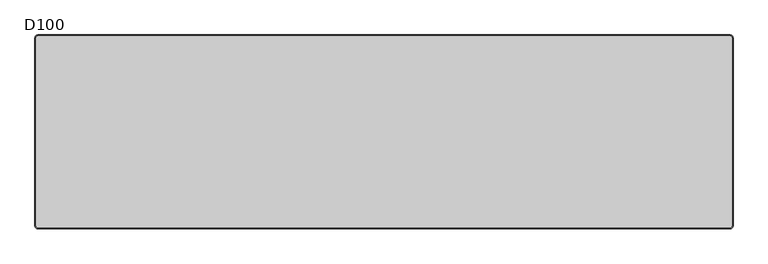
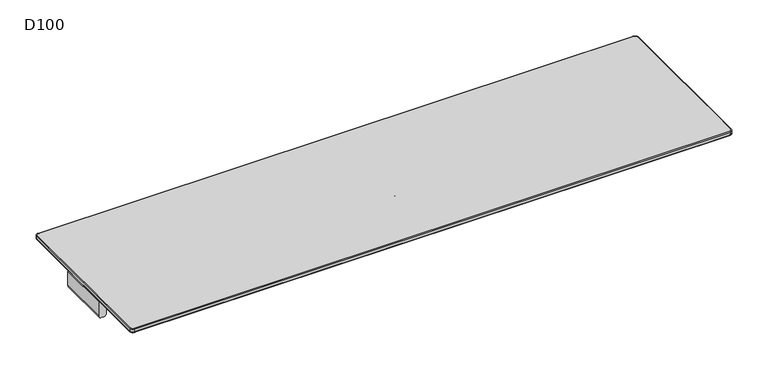
"""IFC4 building model written with IfcOpenShell, lengths in millimetres: furniture geometry, D100."""

from ifc_helpers import new_model, si_unit, point, frame, frame_2d, origin, place, context, project, spatial, polyline, circle_curve, ellipse_curve, trimmed, segment, composite_curve, outline, extrude, source, transform, mapped, element, save
from ifc_brep_helpers import plane_surface, cylinder_surface, revolved_surface, advanced_brep


def d100_9cf3e29e(model_context):
    return source(origin(), model_context, "Body", "SolidModel", [
        extrude(outline(composite_curve([segment(polyline([(791.0006338, 1799.0), (880.0006338, 1799.0), (880.0006338, 1754.0), (791.0006338, 1754.0)]), True, "CONTINUOUS"), segment(trimmed(circle_curve(frame_2d((791.0006338, 1769.0)), 15.0), [point((791.0006338, 1754.0))], [point((776.0006338, 1769.0))], False, "CARTESIAN"), True, "CONTINUOUS"), segment(polyline([(776.0006338, 1769.0), (776.0006338, 1784.0)]), True, "CONTINUOUS"), segment(trimmed(circle_curve(frame_2d((791.0006338, 1784.0)), 15.0), [point((776.0006338, 1784.0))], [point((791.0006338, 1799.0))], False, "CARTESIAN"), True, "CONTINUOUS")], self_intersect=False)), frame((0.0, -159.2234902, 0.0), z_axis=(0.0, 1.0, 0.0), x_axis=(0.0, 0.0, 1.0)), (0.0, 0.0, 1.0), 318.4469804),
        extrude(outline(composite_curve([segment(polyline([(791.0006338, 0.0), (880.0006338, 0.0), (880.0006338, -45.0), (791.0006338, -45.0)]), True, "CONTINUOUS"), segment(trimmed(circle_curve(frame_2d((791.0006338, -30.0)), 15.0), [point((791.0006338, -45.0))], [point((776.0006338, -30.0))], False, "CARTESIAN"), True, "CONTINUOUS"), segment(polyline([(776.0006338, -30.0), (776.0006338, -15.0)]), True, "CONTINUOUS"), segment(trimmed(circle_curve(frame_2d((791.0006338, -15.0)), 15.0), [point((776.0006338, -15.0))], [point((791.0006338, 0.0))], False, "CARTESIAN"), True, "CONTINUOUS")], self_intersect=False)), frame((0.0, -159.2234902, 0.0), z_axis=(0.0, 1.0, 0.0), x_axis=(0.0, 0.0, 1.0)), (0.0, 0.0, 1.0), 318.4469804),
        extrude(outline(composite_curve([segment(trimmed(circle_curve(frame_2d((791.0006338, 15.0)), 15.0), [point((791.0006338, 0.0))], [point((776.0006338, 15.0))], False, "CARTESIAN"), True, "CONTINUOUS"), segment(polyline([(776.0006338, 15.0), (776.0006338, 30.0)]), True, "CONTINUOUS"), segment(trimmed(circle_curve(frame_2d((791.0006338, 30.0)), 15.0), [point((776.0006338, 30.0))], [point((791.0006338, 45.0))], False, "CARTESIAN"), True, "CONTINUOUS"), segment(polyline([(791.0006338, 45.0), (880.0006338, 45.0), (880.0006338, 0.0), (791.0006338, 0.0)]), True, "CONTINUOUS")], self_intersect=False)), frame((0.0, -159.2234902, 0.0), z_axis=(0.0, 1.0, 0.0), x_axis=(0.0, 0.0, 1.0)), (0.0, 0.0, 1.0), 318.4469804),
        extrude(outline(composite_curve([segment(trimmed(circle_curve(frame_2d((791.0006338, -1784.0)), 15.0), [point((791.0006338, -1799.0))], [point((776.0006338, -1784.0))], False, "CARTESIAN"), True, "CONTINUOUS"), segment(polyline([(776.0006338, -1784.0), (776.0006338, -1769.0)]), True, "CONTINUOUS"), segment(trimmed(circle_curve(frame_2d((791.0006338, -1769.0)), 15.0), [point((776.0006338, -1769.0))], [point((791.0006338, -1754.0))], False, "CARTESIAN"), True, "CONTINUOUS"), segment(polyline([(791.0006338, -1754.0), (880.0006338, -1754.0), (880.0006338, -1799.0), (791.0006338, -1799.0)]), True, "CONTINUOUS")], self_intersect=False)), frame((0.0, -159.2234902, 0.0), z_axis=(0.0, 1.0, 0.0), x_axis=(0.0, 0.0, 1.0)), (0.0, 0.0, 1.0), 318.4469804),
        advanced_brep(
        [(-1782.0, 495.0, 912.0006338), (-1795.0, 482.0, 912.0006338), (-1795.0, -482.0, 912.0006338), (-1782.0, -495.0, 912.0006338), (1782.0, -495.0, 912.0006338), (1795.0, -482.0, 912.0006338), (1795.0, 482.0, 912.0006338), (1782.0, 495.0, 912.0006338), (-1795.0, 482.0, 886.0006338), (-1782.0, 495.0, 886.0006338), (1782.0, 495.0, 886.0006338), (1795.0, 482.0, 886.0006338), (1795.0, -482.0, 886.0006338), (1782.0, -495.0, 886.0006338), (-1782.0, -495.0, 886.0006338), (-1795.0, -482.0, 886.0006338), (-1800.0, 482.0, 907.0006384), (-1800.0, 482.0, 891.0006338), (-1800.0, -482.0, 891.0006338), (-1800.0, -482.0, 907.0006338), (-1782.0, -500.0, 891.0006338), (-1782.0, -500.0, 907.0006372), (1782.0, -500.0, 891.0006338), (1782.0, -500.0, 907.0006338), (1800.0, -482.0, 891.0006338), (1800.0, -482.0, 907.0006366), (1800.0, 482.0, 891.0006338), (1800.0, 482.0, 907.0006338), (-1782.0, 500.0, 891.0006338), (-1782.0, 500.0, 907.0006338), (1782.0, 500.0, 891.0006338), (1782.0, 500.0, 907.0006338)],
        [
            (0, 1, circle_curve(frame((-1782.0, 482.0, 912.0006338), z_axis=(0.0, 0.0, 1.0), x_axis=(0.0, 1.0, 0.0)), 13.0)),
            (1, 2),
            (2, 3, circle_curve(frame((-1782.0, -482.0, 912.0006338), z_axis=(0.0, 0.0, 1.0), x_axis=(-1.0, 0.0, 0.0)), 13.0)),
            (3, 4),
            (4, 5, circle_curve(frame((1782.0, -482.0, 912.0006338), z_axis=(0.0, 0.0, 1.0), x_axis=(0.0, -1.0, 0.0)), 13.0)),
            (5, 6),
            (6, 7, circle_curve(frame((1782.0, 482.0, 912.0006338), z_axis=(0.0, 0.0, 1.0), x_axis=(1.0, 0.0, 0.0)), 13.0)),
            (7, 0),
            (8, 9, circle_curve(frame((-1782.0, 482.0, 886.0006338), z_axis=(0.0, 0.0, -1.0), x_axis=(0.0, 1.0, 0.0)), 13.0)),
            (9, 10),
            (10, 11, circle_curve(frame((1782.0, 482.0, 886.0006338), z_axis=(0.0, 0.0, -1.0), x_axis=(1.0, 0.0, 0.0)), 13.0)),
            (11, 12),
            (12, 13, circle_curve(frame((1782.0, -482.0, 886.0006338), z_axis=(0.0, 0.0, -1.0), x_axis=(0.0, -1.0, 0.0)), 13.0)),
            (13, 14),
            (14, 15, circle_curve(frame((-1782.0, -482.0, 886.0006338), z_axis=(0.0, 0.0, -1.0), x_axis=(-1.0, 0.0, 0.0)), 13.0)),
            (15, 8),
            (16, 17),
            (17, 18),
            (18, 19),
            (19, 16),
            (18, 20, circle_curve(frame((-1782.0, -482.0, 891.0006338), z_axis=(0.0, 0.0, 1.0), x_axis=(1.0, 0.0, 0.0)), 18.0)),
            (20, 21),
            (21, 19, circle_curve(frame((-1782.0, -482.0, 907.0006338), z_axis=(0.0, 0.0, -1.0), x_axis=(1.0, 0.0, 0.0)), 18.0)),
            (20, 22),
            (22, 23),
            (23, 21),
            (22, 24, circle_curve(frame((1782.0, -482.0, 891.0006338), z_axis=(0.0, 0.0, 1.0), x_axis=(1.0, 0.0, 0.0)), 18.0)),
            (24, 25),
            (25, 23, circle_curve(frame((1782.0, -482.0, 907.0006338), z_axis=(0.0, 0.0, -1.0), x_axis=(1.0, 0.0, 0.0)), 18.0)),
            (24, 26),
            (26, 27),
            (27, 25),
            (8, 17, circle_curve(frame((-1795.0, 482.0, 891.0006338), z_axis=(0.0, 1.0, 0.0), x_axis=(1.0, 0.0, 0.0)), 5.0)),
            (17, 28, circle_curve(frame((-1782.0, 482.0, 891.0006338), z_axis=(0.0, 0.0, -1.0), x_axis=(0.0, 1.0, 0.0)), 18.0)),
            (28, 9, circle_curve(frame((-1782.0, 495.0, 891.0006338), z_axis=(-1.0, 0.0, 0.0), x_axis=(0.0, -1.0, 0.0)), 5.0)),
            (16, 1, circle_curve(frame((-1795.0, 482.0, 907.0006338), z_axis=(0.0, 1.0, 0.0), x_axis=(1.0, 0.0, 0.0)), 5.0)),
            (0, 29, circle_curve(frame((-1782.0, 495.0, 907.0006338), z_axis=(-1.0, 0.0, 0.0), x_axis=(0.0, -1.0, 0.0)), 5.0)),
            (29, 16, circle_curve(frame((-1782.0, 482.0, 907.0006338), z_axis=(0.0, 0.0, 1.0), x_axis=(0.0, 1.0, 0.0)), 18.0)),
            (15, 18, circle_curve(frame((-1795.0, -482.0, 891.0006338), z_axis=(0.0, 1.0, 0.0), x_axis=(1.0, 0.0, 0.0)), 5.0)),
            (19, 2, circle_curve(frame((-1795.0, -482.0, 907.0006338), z_axis=(0.0, 1.0, 0.0), x_axis=(1.0, 0.0, 0.0)), 5.0)),
            (14, 20, circle_curve(frame((-1782.0, -495.0, 891.0006338), z_axis=(-1.0, 0.0, 0.0), x_axis=(0.0, 1.0, 0.0)), 5.0)),
            (21, 3, circle_curve(frame((-1782.0, -495.0, 907.0006338), z_axis=(-1.0, 0.0, 0.0), x_axis=(0.0, 1.0, 0.0)), 5.0)),
            (13, 22, circle_curve(frame((1782.0, -495.0, 891.0006338), z_axis=(-1.0, 0.0, 0.0), x_axis=(0.0, 1.0, 0.0)), 5.0)),
            (23, 4, circle_curve(frame((1782.0, -495.0, 907.0006338), z_axis=(-1.0, 0.0, 0.0), x_axis=(0.0, 1.0, 0.0)), 5.0)),
            (12, 24, circle_curve(frame((1795.0, -482.0, 891.0006338), z_axis=(0.0, -1.0, 0.0), x_axis=(-1.0, 0.0, 0.0)), 5.0)),
            (25, 5, circle_curve(frame((1795.0, -482.0, 907.0006338), z_axis=(0.0, -1.0, 0.0), x_axis=(-1.0, 0.0, 0.0)), 5.0)),
            (11, 26, circle_curve(frame((1795.0, 482.0, 891.0006338), z_axis=(0.0, -1.0, 0.0), x_axis=(-1.0, 0.0, 0.0)), 5.0)),
            (27, 6, circle_curve(frame((1795.0, 482.0, 907.0006338), z_axis=(0.0, -1.0, 0.0), x_axis=(-1.0, 0.0, 0.0)), 5.0)),
            (10, 30, circle_curve(frame((1782.0, 495.0, 891.0006338), z_axis=(1.0, 0.0, 0.0), x_axis=(0.0, -1.0, 0.0)), 5.0)),
            (30, 26, circle_curve(frame((1782.0, 482.0, 891.0006338), z_axis=(0.0, 0.0, -1.0), x_axis=(1.0, 0.0, 0.0)), 18.0)),
            (27, 31, circle_curve(frame((1782.0, 482.0, 907.0006338), z_axis=(0.0, 0.0, 1.0), x_axis=(1.0, 0.0, 0.0)), 18.0)),
            (31, 7, circle_curve(frame((1782.0, 495.0, 907.0006338), z_axis=(1.0, 0.0, 0.0), x_axis=(0.0, -1.0, 0.0)), 5.0)),
            (28, 30),
            (31, 29),
            (30, 31),
            (28, 29),
        ],
        [
            plane_surface(frame((-1800.0, -482.0, 912.0006338), z_axis=(0.0, 0.0, 1.0), x_axis=(0.0, -1.0, 0.0))),
            plane_surface(frame((-1800.0, -482.0, 886.0006338), z_axis=(0.0, 0.0, -1.0), x_axis=(0.0, 1.0, 0.0))),
            plane_surface(frame((-1800.0, 482.0, 912.0006338), z_axis=(-1.0, 0.0, 0.0), x_axis=(0.0, 0.0, -1.0))),
            cylinder_surface(frame((-1782.0, -482.0, 886.0006338), z_axis=(0.0, 0.0, 1.0), x_axis=(1.0, 0.0, 0.0)), 18.0),
            plane_surface(frame((-1782.0, -500.0, 912.0006338), z_axis=(0.0, -1.0, 0.0), x_axis=(0.0, 0.0, -1.0))),
            cylinder_surface(frame((1782.0, -482.0, 886.0006338), z_axis=(0.0, 0.0, 1.0), x_axis=(1.0, 0.0, 0.0)), 18.0),
            plane_surface(frame((1800.0, -482.0, 912.0006338), z_axis=(1.0, 0.0, 0.0), x_axis=(0.0, 0.0, -1.0))),
            revolved_surface(trimmed(ellipse_curve(frame((-1782.0, 495.0, 891.0006338), z_axis=(1.0, 0.0, 0.0), x_axis=(0.0, -1.0, 0.0)), 5.0, 5.0), [point((-1782.0, 495.0, 886.0006338))], [point((-1782.0, 500.0, 891.0006338))], True, "CARTESIAN"), (-1782.0, 482.0, 0.0006338), (0.0, 0.0, 1.0)),
            revolved_surface(trimmed(ellipse_curve(frame((-1782.0, 495.0, 907.0006338), z_axis=(1.0, 0.0, 0.0), x_axis=(0.0, -1.0, 0.0)), 5.0, 5.0), [point((-1782.0, 500.0, 907.0006338))], [point((-1782.0, 495.0, 912.0006338))], True, "CARTESIAN"), (-1782.0, 482.0, 0.0006338), (0.0, 0.0, 1.0)),
            cylinder_surface(frame((-1795.0, 482.0, 891.0006338), z_axis=(0.0, -1.0, 0.0), x_axis=(1.0, 0.0, 0.0)), 5.0),
            cylinder_surface(frame((-1795.0, 482.0, 907.0006338), z_axis=(0.0, -1.0, 0.0), x_axis=(1.0, 0.0, 0.0)), 5.0),
            revolved_surface(trimmed(ellipse_curve(frame((-1795.0, -482.0, 891.0006338), z_axis=(0.0, 1.0, 0.0), x_axis=(1.0, 0.0, 0.0)), 5.0, 5.0), [point((-1795.0, -482.0, 886.0006338))], [point((-1800.0, -482.0, 891.0006338))], True, "CARTESIAN"), (-1782.0, -482.0, 0.0006338), (0.0, 0.0, 1.0)),
            revolved_surface(trimmed(ellipse_curve(frame((-1795.0, -482.0, 907.0006338), z_axis=(0.0, 1.0, 0.0), x_axis=(1.0, 0.0, 0.0)), 5.0, 5.0), [point((-1800.0, -482.0, 907.0006338))], [point((-1795.0, -482.0, 912.0006338))], True, "CARTESIAN"), (-1782.0, -482.0, 0.0006338), (0.0, 0.0, 1.0)),
            cylinder_surface(frame((-1782.0, -495.0, 891.0006338), z_axis=(1.0, 0.0, 0.0), x_axis=(0.0, 1.0, 0.0)), 5.0),
            cylinder_surface(frame((-1782.0, -495.0, 907.0006338), z_axis=(1.0, 0.0, 0.0), x_axis=(0.0, 1.0, 0.0)), 5.0),
            revolved_surface(trimmed(ellipse_curve(frame((1782.0, -495.0, 891.0006338), z_axis=(-1.0, 0.0, 0.0), x_axis=(0.0, 1.0, 0.0)), 5.0, 5.0), [point((1782.0, -495.0, 886.0006338))], [point((1782.0, -500.0, 891.0006338))], True, "CARTESIAN"), (1782.0, -482.0, 0.0006338), (0.0, 0.0, 1.0)),
            revolved_surface(trimmed(ellipse_curve(frame((1782.0, -495.0, 907.0006338), z_axis=(-1.0, 0.0, 0.0), x_axis=(0.0, 1.0, 0.0)), 5.0, 5.0), [point((1782.0, -500.0, 907.0006338))], [point((1782.0, -495.0, 912.0006338))], True, "CARTESIAN"), (1782.0, -482.0, 0.0006338), (0.0, 0.0, 1.0)),
            cylinder_surface(frame((1795.0, -482.0, 891.0006338), z_axis=(0.0, 1.0, 0.0), x_axis=(-1.0, 0.0, 0.0)), 5.0),
            cylinder_surface(frame((1795.0, -482.0, 907.0006338), z_axis=(0.0, 1.0, 0.0), x_axis=(-1.0, 0.0, 0.0)), 5.0),
            revolved_surface(trimmed(ellipse_curve(frame((1795.0, 482.0, 891.0006338), z_axis=(0.0, -1.0, 0.0), x_axis=(-1.0, 0.0, 0.0)), 5.0, 5.0), [point((1795.0, 482.0, 886.0006338))], [point((1800.0, 482.0, 891.0006338))], True, "CARTESIAN"), (1782.0, 482.0, 0.0006338), (0.0, 0.0, 1.0)),
            revolved_surface(trimmed(ellipse_curve(frame((1795.0, 482.0, 907.0006338), z_axis=(0.0, -1.0, 0.0), x_axis=(-1.0, 0.0, 0.0)), 5.0, 5.0), [point((1800.0, 482.0, 907.0006338))], [point((1795.0, 482.0, 912.0006338))], True, "CARTESIAN"), (1782.0, 482.0, 0.0006338), (0.0, 0.0, 1.0)),
            cylinder_surface(frame((1782.0, 495.0, 891.0006338), z_axis=(-1.0, 0.0, 0.0), x_axis=(0.0, -1.0, 0.0)), 5.0),
            cylinder_surface(frame((1782.0, 495.0, 907.0006338), z_axis=(-1.0, 0.0, 0.0), x_axis=(0.0, -1.0, 0.0)), 5.0),
            cylinder_surface(frame((1782.0, 482.0, 886.0006338), z_axis=(0.0, 0.0, 1.0), x_axis=(1.0, 0.0, 0.0)), 18.0),
            plane_surface(frame((1782.0, 500.0, 912.0006338), z_axis=(0.0, 1.0, 0.0), x_axis=(0.0, 0.0, -1.0))),
            cylinder_surface(frame((-1782.0, 482.0, 886.0006338), z_axis=(0.0, 0.0, 1.0), x_axis=(1.0, 0.0, 0.0)), 18.0),
        ],
        [
            (0, [[1, 2, 3, 4, 5, 6, 7, 8]]),
            (1, [[9, 10, 11, 12, 13, 14, 15, 16]]),
            (2, [[17, 18, 19, 20]]),
            (3, [[-19, 21, 22, 23]]),
            (4, [[-22, 24, 25, 26]]),
            (5, [[-25, 27, 28, 29]]),
            (6, [[-28, 30, 31, 32]]),
            (7, [[33, 34, 35, -9]]),
            (8, [[36, -1, 37, 38]]),
            (9, [[-33, -16, 39, -18]]),
            (10, [[-36, -20, 40, -2]]),
            (11, [[-39, -15, 41, -21]]),
            (12, [[-40, -23, 42, -3]]),
            (13, [[-41, -14, 43, -24]]),
            (14, [[-42, -26, 44, -4]]),
            (15, [[-43, -13, 45, -27]]),
            (16, [[-44, -29, 46, -5]]),
            (17, [[-45, -12, 47, -30]]),
            (18, [[-46, -32, 48, -6]]),
            (19, [[-47, -11, 49, 50]]),
            (20, [[-48, 51, 52, -7]]),
            (21, [[-35, 53, -49, -10]]),
            (22, [[-37, -8, -52, 54]]),
            (23, [[-31, -50, 55, -51]]),
            (24, [[-55, -53, 56, -54]]),
            (25, [[-17, -38, -56, -34]]),
        ],
    ),
        advanced_brep(
        [(1729.2740174, -165.2234902, 821.5334099), (1754.0036896, -165.2234902, 791.3333097), (1769.0, -165.2234902, 776.0006338), (1784.0, -165.2234902, 776.0006338), (1799.0, -165.2234902, 791.0006338), (1799.0, -165.2234902, 880.0006338), (1539.0, -165.2234902, 880.0006338), (1539.0, -165.2234902, 872.1904661), (1555.4913675, -165.2234902, 852.5006338), (1729.2740174, -159.2234902, 821.5334099), (1555.4913675, -159.2234902, 852.5006338), (1539.0, -159.2234902, 872.1904661), (1539.0, -159.2234902, 880.0006338), (1799.0, -159.2234902, 880.0006338), (1799.0, -159.2234902, 791.0006338), (1784.0, -159.2234902, 776.0006338), (1769.0, -159.2234902, 776.0006338), (1754.0036896, -159.2234902, 791.3333097), (1799.0, -113.2234902, 880.0006338), (1799.0, -113.2234902, 886.0006338), (1799.0, -211.2234902, 886.0006338), (1799.0, -211.2234902, 880.0006338), (1783.0, -97.2234902, 886.0006338), (1555.0, -97.2234902, 886.0006338), (1539.0, -113.2234902, 886.0006338), (1539.0, -211.2234902, 886.0006338), (1555.0, -227.2234902, 886.0006338), (1783.0, -227.2234902, 886.0006338), (1539.0, -113.2234902, 880.0006338), (1539.0, -211.2234902, 880.0006338), (1783.0, -97.2234902, 880.0006338), (1555.0, -97.2234902, 880.0006338), (1783.0, -227.2234902, 880.0006338), (1555.0, -227.2234902, 880.0006338)],
        [
            (0, 1, circle_curve(frame((1724.0110687, -165.2234902, 791.9986614), z_axis=(0.0, 1.0, 0.0), x_axis=(1.0, 0.0, 0.0)), 30.0)),
            (1, 2, circle_curve(frame((1769.0, -165.2234902, 791.0006338), z_axis=(0.0, -1.0, 0.0), x_axis=(1.0, 0.0, 0.0)), 15.0)),
            (2, 3),
            (3, 4, circle_curve(frame((1784.0, -165.2234902, 791.0006338), z_axis=(0.0, -1.0, 0.0), x_axis=(1.0, 0.0, 0.0)), 15.0)),
            (4, 5),
            (5, 6),
            (6, 7),
            (7, 8, circle_curve(frame((1559.0, -165.2234902, 872.1904661), z_axis=(0.0, -1.0, 0.0), x_axis=(1.0, 0.0, 0.0)), 20.0)),
            (8, 0),
            (9, 10),
            (10, 11, circle_curve(frame((1559.0, -159.2234902, 872.1904661), z_axis=(0.0, 1.0, 0.0), x_axis=(1.0, 0.0, 0.0)), 20.0)),
            (11, 12),
            (12, 13),
            (13, 14),
            (14, 15, circle_curve(frame((1784.0, -159.2234902, 791.0006338), z_axis=(0.0, 1.0, 0.0), x_axis=(1.0, 0.0, 0.0)), 15.0)),
            (15, 16),
            (16, 17, circle_curve(frame((1769.0, -159.2234902, 791.0006338), z_axis=(0.0, 1.0, 0.0), x_axis=(1.0, 0.0, 0.0)), 15.0)),
            (17, 9, circle_curve(frame((1724.0110687, -159.2234902, 791.9986614), z_axis=(0.0, -1.0, 0.0), x_axis=(1.0, 0.0, 0.0)), 30.0)),
            (0, 9),
            (17, 1),
            (4, 14),
            (13, 18),
            (18, 19),
            (19, 20),
            (20, 21),
            (21, 5),
            (19, 22, circle_curve(frame((1783.0, -113.2234902, 886.0006338), z_axis=(0.0, 0.0, 1.0), x_axis=(-1.0, 0.0, 0.0)), 16.0)),
            (22, 23),
            (23, 24, circle_curve(frame((1555.0, -113.2234902, 886.0006338), z_axis=(0.0, 0.0, 1.0), x_axis=(-1.0, 0.0, 0.0)), 16.0)),
            (24, 25),
            (25, 26, circle_curve(frame((1555.0, -211.2234902, 886.0006338), z_axis=(0.0, 0.0, 1.0), x_axis=(-1.0, 0.0, 0.0)), 16.0)),
            (26, 27),
            (27, 20, circle_curve(frame((1783.0, -211.2234902, 886.0006338), z_axis=(0.0, 0.0, 1.0), x_axis=(-1.0, 0.0, 0.0)), 16.0)),
            (24, 28),
            (28, 12),
            (11, 7),
            (6, 29),
            (29, 25),
            (10, 8),
            (16, 2),
            (15, 3),
            (30, 18, circle_curve(frame((1783.0, -113.2234902, 880.0006338), z_axis=(0.0, 0.0, -1.0), x_axis=(-1.0, 0.0, 0.0)), 16.0)),
            (28, 31, circle_curve(frame((1555.0, -113.2234902, 880.0006338), z_axis=(0.0, 0.0, -1.0), x_axis=(-1.0, 0.0, 0.0)), 16.0)),
            (31, 30),
            (21, 32, circle_curve(frame((1783.0, -211.2234902, 880.0006338), z_axis=(0.0, 0.0, -1.0), x_axis=(-1.0, 0.0, 0.0)), 16.0)),
            (32, 33),
            (33, 29, circle_curve(frame((1555.0, -211.2234902, 880.0006338), z_axis=(0.0, 0.0, -1.0), x_axis=(-1.0, 0.0, 0.0)), 16.0)),
            (30, 22),
            (27, 32),
            (26, 33),
            (23, 31),
        ],
        [
            plane_surface(frame((1754.0110687, -165.2234902, 791.9986614), z_axis=(0.0, -1.0, 0.0), x_axis=(0.0, 0.0, -1.0))),
            plane_surface(frame((1754.0110687, -159.2234902, 791.9986614), z_axis=(0.0, 1.0, 0.0), x_axis=(0.0, 0.0, 1.0))),
            revolved_surface(polyline([(1754.0110687, -159.2234902, 791.9986614), (1754.0110687, -165.2234902, 791.9986614)]), (1724.0110687, -159.2234902, 791.9986614), (0.0, 1.0, 0.0)),
            plane_surface(frame((1799.0, -165.2234902, 791.0006338), z_axis=(1.0, 0.0, 0.0), x_axis=(0.0, 1.0, 0.0))),
            plane_surface(frame((1799.0, -165.2234902, 886.0006338), z_axis=(0.0, 0.0, 1.0), x_axis=(0.0, 1.0, 0.0))),
            plane_surface(frame((1539.0, -165.2234902, 886.0006338), z_axis=(-1.0, 0.0, 0.0), x_axis=(0.0, 1.0, 0.0))),
            cylinder_surface(frame((1559.0, -159.2234902, 872.1904661), z_axis=(0.0, -1.0, 0.0), x_axis=(1.0, 0.0, 0.0)), 20.0),
            plane_surface(frame((1555.4913675, -165.2234902, 852.5006338), z_axis=(-0.17543162299465093, 0.0, -0.9844916178685641), x_axis=(0.0, 1.0, 0.0))),
            cylinder_surface(frame((1769.0, -159.2234902, 791.0006338), z_axis=(0.0, -1.0, 0.0), x_axis=(1.0, 0.0, 0.0)), 15.0),
            plane_surface(frame((1769.0, -165.2234902, 776.0006338), z_axis=(0.0, 0.0, -1.0), x_axis=(0.0, 1.0, 0.0))),
            cylinder_surface(frame((1784.0, -159.2234902, 791.0006338), z_axis=(0.0, -1.0, 0.0), x_axis=(1.0, 0.0, 0.0)), 15.0),
            plane_surface(frame((1555.0, -97.2234902, 880.0006338), z_axis=(0.0, 0.0, -1.0), x_axis=(1.0, 0.0, 0.0))),
            cylinder_surface(frame((1783.0, -113.2234902, 880.0006338), z_axis=(0.0, 0.0, 1.0), x_axis=(-1.0, 0.0, 0.0)), 16.0),
            cylinder_surface(frame((1783.0, -211.2234902, 880.0006338), z_axis=(0.0, 0.0, 1.0), x_axis=(-1.0, 0.0, 0.0)), 16.0),
            plane_surface(frame((1555.0, -227.2234902, 886.0006338), z_axis=(0.0, -1.0, 0.0), x_axis=(0.0, 0.0, -1.0))),
            cylinder_surface(frame((1555.0, -211.2234902, 880.0006338), z_axis=(0.0, 0.0, 1.0), x_axis=(-1.0, 0.0, 0.0)), 16.0),
            cylinder_surface(frame((1555.0, -113.2234902, 880.0006338), z_axis=(0.0, 0.0, 1.0), x_axis=(-1.0, 0.0, 0.0)), 16.0),
            plane_surface(frame((1783.0, -97.2234902, 886.0006338), z_axis=(0.0, 1.0, 0.0), x_axis=(0.0, 0.0, -1.0))),
        ],
        [
            (0, [[1, 2, 3, 4, 5, 6, 7, 8, 9]]),
            (1, [[10, 11, 12, 13, 14, 15, 16, 17, 18]]),
            (2, [[-1, 19, -18, 20]]),
            (3, [[21, -14, 22, 23, 24, 25, 26, -5]]),
            (4, [[-24, 27, 28, 29, 30, 31, 32, 33]]),
            (5, [[-30, 34, 35, -12, 36, -7, 37, 38]]),
            (6, [[-8, -36, -11, 39]]),
            (7, [[-9, -39, -10, -19]]),
            (8, [[-2, -20, -17, 40]]),
            (9, [[-3, -40, -16, 41]]),
            (10, [[-4, -41, -15, -21]]),
            (11, [[42, -22, -13, -35, 43, 44]]),
            (11, [[45, 46, 47, -37, -6, -26]]),
            (12, [[-27, -23, -42, 48]]),
            (13, [[-33, 49, -45, -25]]),
            (14, [[-32, 50, -46, -49]]),
            (15, [[-31, -38, -47, -50]]),
            (16, [[-29, 51, -43, -34]]),
            (17, [[-28, -48, -44, -51]]),
        ],
    ),
        advanced_brep(
        [(1729.2740174, 165.2234902, 821.5334099), (1555.4913675, 165.2234902, 852.5006338), (1539.0, 165.2234902, 872.1904661), (1539.0, 165.2234902, 880.0006338), (1799.0, 165.2234902, 880.0006338), (1799.0, 165.2234902, 791.0006338), (1784.0, 165.2234902, 776.0006338), (1769.0, 165.2234902, 776.0006338), (1754.0036896, 165.2234902, 791.3333097), (1729.2740174, 159.2234902, 821.5334099), (1754.0036896, 159.2234902, 791.3333097), (1769.0, 159.2234902, 776.0006338), (1784.0, 159.2234902, 776.0006338), (1799.0, 159.2234902, 791.0006338), (1799.0, 159.2234902, 880.0006338), (1539.0, 159.2234902, 880.0006338), (1539.0, 159.2234902, 872.1904661), (1555.4913675, 159.2234902, 852.5006338), (1799.0, 113.2234902, 886.0006338), (1799.0, 113.2234902, 880.0006338), (1799.0, 211.2234902, 880.0006338), (1799.0, 211.2234902, 886.0006338), (1783.0, 227.2234902, 886.0006338), (1555.0, 227.2234902, 886.0006338), (1539.0, 211.2234902, 886.0006338), (1539.0, 113.2234902, 886.0006338), (1555.0, 97.2234902, 886.0006338), (1783.0, 97.2234902, 886.0006338), (1539.0, 211.2234902, 880.0006338), (1539.0, 113.2234902, 880.0006338), (1783.0, 97.2234902, 880.0006338), (1555.0, 97.2234902, 880.0006338), (1555.0, 227.2234902, 880.0006338), (1783.0, 227.2234902, 880.0006338)],
        [
            (0, 1),
            (1, 2, circle_curve(frame((1559.0, 165.2234902, 872.1904661), z_axis=(0.0, 1.0, 0.0), x_axis=(1.0, 0.0, 0.0)), 20.0)),
            (2, 3),
            (3, 4),
            (4, 5),
            (5, 6, circle_curve(frame((1784.0, 165.2234902, 791.0006338), z_axis=(0.0, 1.0, 0.0), x_axis=(1.0, 0.0, 0.0)), 15.0)),
            (6, 7),
            (7, 8, circle_curve(frame((1769.0, 165.2234902, 791.0006338), z_axis=(0.0, 1.0, 0.0), x_axis=(1.0, 0.0, 0.0)), 15.0)),
            (8, 0, circle_curve(frame((1724.0110687, 165.2234902, 791.9986614), z_axis=(0.0, -1.0, 0.0), x_axis=(1.0, 0.0, 0.0)), 30.0)),
            (9, 10, circle_curve(frame((1724.0110687, 159.2234902, 791.9986614), z_axis=(0.0, 1.0, 0.0), x_axis=(1.0, 0.0, 0.0)), 30.0)),
            (10, 11, circle_curve(frame((1769.0, 159.2234902, 791.0006338), z_axis=(0.0, -1.0, 0.0), x_axis=(1.0, 0.0, 0.0)), 15.0)),
            (11, 12),
            (12, 13, circle_curve(frame((1784.0, 159.2234902, 791.0006338), z_axis=(0.0, -1.0, 0.0), x_axis=(1.0, 0.0, 0.0)), 15.0)),
            (13, 14),
            (14, 15),
            (15, 16),
            (16, 17, circle_curve(frame((1559.0, 159.2234902, 872.1904661), z_axis=(0.0, -1.0, 0.0), x_axis=(1.0, 0.0, 0.0)), 20.0)),
            (17, 9),
            (8, 10),
            (9, 0),
            (18, 19),
            (19, 14),
            (13, 5),
            (4, 20),
            (20, 21),
            (21, 18),
            (21, 22, circle_curve(frame((1783.0, 211.2234902, 886.0006338), z_axis=(0.0, 0.0, 1.0), x_axis=(-1.0, 0.0, 0.0)), 16.0)),
            (22, 23),
            (23, 24, circle_curve(frame((1555.0, 211.2234902, 886.0006338), z_axis=(0.0, 0.0, 1.0), x_axis=(-1.0, 0.0, 0.0)), 16.0)),
            (24, 25),
            (25, 26, circle_curve(frame((1555.0, 113.2234902, 886.0006338), z_axis=(0.0, 0.0, 1.0), x_axis=(-1.0, 0.0, 0.0)), 16.0)),
            (26, 27),
            (27, 18, circle_curve(frame((1783.0, 113.2234902, 886.0006338), z_axis=(0.0, 0.0, 1.0), x_axis=(-1.0, 0.0, 0.0)), 16.0)),
            (24, 28),
            (28, 3),
            (2, 16),
            (15, 29),
            (29, 25),
            (1, 17),
            (7, 11),
            (6, 12),
            (30, 31),
            (31, 29, circle_curve(frame((1555.0, 113.2234902, 880.0006338), z_axis=(0.0, 0.0, -1.0), x_axis=(-1.0, 0.0, 0.0)), 16.0)),
            (19, 30, circle_curve(frame((1783.0, 113.2234902, 880.0006338), z_axis=(0.0, 0.0, -1.0), x_axis=(-1.0, 0.0, 0.0)), 16.0)),
            (28, 32, circle_curve(frame((1555.0, 211.2234902, 880.0006338), z_axis=(0.0, 0.0, -1.0), x_axis=(-1.0, 0.0, 0.0)), 16.0)),
            (32, 33),
            (33, 20, circle_curve(frame((1783.0, 211.2234902, 880.0006338), z_axis=(0.0, 0.0, -1.0), x_axis=(-1.0, 0.0, 0.0)), 16.0)),
            (27, 30),
            (33, 22),
            (32, 23),
            (31, 26),
        ],
        [
            plane_surface(frame((1555.4913675, 165.2234902, 852.5006338), z_axis=(0.0, 1.0, 0.0), x_axis=(-0.9844916178685639, 0.0, 0.17543162299465165))),
            plane_surface(frame((1555.4913675, 159.2234902, 852.5006338), z_axis=(0.0, -1.0, 0.0), x_axis=(0.9844916178685639, 0.0, -0.17543162299465165))),
            revolved_surface(polyline([(1754.0110687, 159.2234902, 791.9986614), (1754.0110687, 165.2234902, 791.9986614)]), (1724.0110687, 159.2234902, 791.9986614), (0.0, -1.0, 0.0)),
            plane_surface(frame((1799.0, 165.2234902, 886.0006338), z_axis=(1.0, 0.0, 0.0), x_axis=(0.0, -1.0, 0.0))),
            plane_surface(frame((1539.0, 165.2234902, 886.0006338), z_axis=(0.0, 0.0, 1.0), x_axis=(0.0, -1.0, 0.0))),
            plane_surface(frame((1539.0, 165.2234902, 872.1904661), z_axis=(-1.0, 0.0, 0.0), x_axis=(0.0, -1.0, 0.0))),
            cylinder_surface(frame((1559.0, 159.2234902, 872.1904661), z_axis=(0.0, 1.0, 0.0), x_axis=(1.0, 0.0, 0.0)), 20.0),
            plane_surface(frame((1729.2740174, 165.2234902, 821.5334099), z_axis=(-0.17543162299465165, 0.0, -0.9844916178685639), x_axis=(0.0, -1.0, 0.0))),
            cylinder_surface(frame((1769.0, 159.2234902, 791.0006338), z_axis=(0.0, 1.0, 0.0), x_axis=(1.0, 0.0, 0.0)), 15.0),
            plane_surface(frame((1784.0, 165.2234902, 776.0006338), z_axis=(0.0, 0.0, -1.0), x_axis=(0.0, -1.0, 0.0))),
            cylinder_surface(frame((1784.0, 159.2234902, 791.0006338), z_axis=(0.0, 1.0, 0.0), x_axis=(1.0, 0.0, 0.0)), 15.0),
            plane_surface(frame((1767.0, 113.2234902, 880.0006338), z_axis=(0.0, 0.0, -1.0), x_axis=(0.0, 1.0, 0.0))),
            cylinder_surface(frame((1783.0, 113.2234902, 880.0006338), z_axis=(0.0, 0.0, 1.0), x_axis=(-1.0, 0.0, 0.0)), 16.0),
            cylinder_surface(frame((1783.0, 211.2234902, 880.0006338), z_axis=(0.0, 0.0, 1.0), x_axis=(-1.0, 0.0, 0.0)), 16.0),
            plane_surface(frame((1783.0, 227.2234902, 886.0006338), z_axis=(0.0, 1.0, 0.0), x_axis=(0.0, 0.0, -1.0))),
            cylinder_surface(frame((1555.0, 211.2234902, 880.0006338), z_axis=(0.0, 0.0, 1.0), x_axis=(-1.0, 0.0, 0.0)), 16.0),
            cylinder_surface(frame((1555.0, 113.2234902, 880.0006338), z_axis=(0.0, 0.0, 1.0), x_axis=(-1.0, 0.0, 0.0)), 16.0),
            plane_surface(frame((1555.0, 97.2234902, 886.0006338), z_axis=(0.0, -1.0, 0.0), x_axis=(0.0, 0.0, -1.0))),
        ],
        [
            (0, [[1, 2, 3, 4, 5, 6, 7, 8, 9]]),
            (1, [[10, 11, 12, 13, 14, 15, 16, 17, 18]]),
            (2, [[-9, 19, -10, 20]]),
            (3, [[21, 22, -14, 23, -5, 24, 25, 26]]),
            (4, [[-26, 27, 28, 29, 30, 31, 32, 33]]),
            (5, [[-30, 34, 35, -3, 36, -16, 37, 38]]),
            (6, [[-2, 39, -17, -36]]),
            (7, [[-1, -20, -18, -39]]),
            (8, [[-8, 40, -11, -19]]),
            (9, [[-7, 41, -12, -40]]),
            (10, [[-6, -23, -13, -41]]),
            (11, [[42, 43, -37, -15, -22, 44]]),
            (11, [[45, 46, 47, -24, -4, -35]]),
            (12, [[-33, 48, -44, -21]]),
            (13, [[-27, -25, -47, 49]]),
            (14, [[-28, -49, -46, 50]]),
            (15, [[-29, -50, -45, -34]]),
            (16, [[-31, -38, -43, 51]]),
            (17, [[-32, -51, -42, -48]]),
        ],
    ),
        advanced_brep(
        [(69.7259826, 165.2234902, 821.5334099), (44.9963104, 165.2234902, 791.3333097), (30.0, 165.2234902, 776.0006338), (15.0, 165.2234902, 776.0006338), (0.0, 165.2234902, 791.0006338), (0.0, 165.2234902, 880.0006338), (260.0, 165.2234902, 880.0006338), (260.0, 165.2234902, 872.1904661), (243.5086325, 165.2234902, 852.5006338), (69.7259826, 159.2234902, 821.5334099), (243.5086325, 159.2234902, 852.5006338), (260.0, 159.2234902, 872.1904661), (260.0, 159.2234902, 880.0006338), (0.0, 159.2234902, 880.0006338), (0.0, 159.2234902, 791.0006338), (15.0, 159.2234902, 776.0006338), (30.0, 159.2234902, 776.0006338), (44.9963104, 159.2234902, 791.3333097), (0.0, 113.2234902, 880.0006338), (0.0, 113.2234902, 886.0006338), (0.0, 211.2234902, 886.0006338), (0.0, 211.2234902, 880.0006338), (16.0, 97.2234902, 886.0006338), (244.0, 97.2234902, 886.0006338), (260.0, 113.2234902, 886.0006338), (260.0, 211.2234902, 886.0006338), (244.0, 227.2234902, 886.0006338), (16.0, 227.2234902, 886.0006338), (260.0, 113.2234902, 880.0006338), (260.0, 211.2234902, 880.0006338), (16.0, 97.2234902, 880.0006338), (244.0, 97.2234902, 880.0006338), (16.0, 227.2234902, 880.0006338), (244.0, 227.2234902, 880.0006338)],
        [
            (0, 1, circle_curve(frame((74.9889313, 165.2234902, 791.9986614), z_axis=(0.0, -1.0, 0.0), x_axis=(-1.0, 0.0, 0.0)), 30.0)),
            (1, 2, circle_curve(frame((30.0, 165.2234902, 791.0006338), z_axis=(0.0, 1.0, 0.0), x_axis=(-1.0, 0.0, 0.0)), 15.0)),
            (2, 3),
            (3, 4, circle_curve(frame((15.0, 165.2234902, 791.0006338), z_axis=(0.0, 1.0, 0.0), x_axis=(-1.0, 0.0, 0.0)), 15.0)),
            (4, 5),
            (5, 6),
            (6, 7),
            (7, 8, circle_curve(frame((240.0, 165.2234902, 872.1904661), z_axis=(0.0, 1.0, 0.0), x_axis=(-1.0, 0.0, 0.0)), 20.0)),
            (8, 0),
            (9, 10),
            (10, 11, circle_curve(frame((240.0, 159.2234902, 872.1904661), z_axis=(0.0, -1.0, 0.0), x_axis=(-1.0, 0.0, 0.0)), 20.0)),
            (11, 12),
            (12, 13),
            (13, 14),
            (14, 15, circle_curve(frame((15.0, 159.2234902, 791.0006338), z_axis=(0.0, -1.0, 0.0), x_axis=(-1.0, 0.0, 0.0)), 15.0)),
            (15, 16),
            (16, 17, circle_curve(frame((30.0, 159.2234902, 791.0006338), z_axis=(0.0, -1.0, 0.0), x_axis=(-1.0, 0.0, 0.0)), 15.0)),
            (17, 9, circle_curve(frame((74.9889313, 159.2234902, 791.9986614), z_axis=(0.0, 1.0, 0.0), x_axis=(-1.0, 0.0, 0.0)), 30.0)),
            (0, 9),
            (17, 1),
            (4, 14),
            (13, 18),
            (18, 19),
            (19, 20),
            (20, 21),
            (21, 5),
            (19, 22, circle_curve(frame((16.0, 113.2234902, 886.0006338), z_axis=(0.0, 0.0, 1.0), x_axis=(1.0, 0.0, 0.0)), 16.0)),
            (22, 23),
            (23, 24, circle_curve(frame((244.0, 113.2234902, 886.0006338), z_axis=(0.0, 0.0, 1.0), x_axis=(1.0, 0.0, 0.0)), 16.0)),
            (24, 25),
            (25, 26, circle_curve(frame((244.0, 211.2234902, 886.0006338), z_axis=(0.0, 0.0, 1.0), x_axis=(1.0, 0.0, 0.0)), 16.0)),
            (26, 27),
            (27, 20, circle_curve(frame((16.0, 211.2234902, 886.0006338), z_axis=(0.0, 0.0, 1.0), x_axis=(1.0, 0.0, 0.0)), 16.0)),
            (24, 28),
            (28, 12),
            (11, 7),
            (6, 29),
            (29, 25),
            (10, 8),
            (16, 2),
            (15, 3),
            (30, 18, circle_curve(frame((16.0, 113.2234902, 880.0006338), z_axis=(0.0, 0.0, -1.0), x_axis=(1.0, 0.0, 0.0)), 16.0)),
            (28, 31, circle_curve(frame((244.0, 113.2234902, 880.0006338), z_axis=(0.0, 0.0, -1.0), x_axis=(1.0, 0.0, 0.0)), 16.0)),
            (31, 30),
            (21, 32, circle_curve(frame((16.0, 211.2234902, 880.0006338), z_axis=(0.0, 0.0, -1.0), x_axis=(1.0, 0.0, 0.0)), 16.0)),
            (32, 33),
            (33, 29, circle_curve(frame((244.0, 211.2234902, 880.0006338), z_axis=(0.0, 0.0, -1.0), x_axis=(1.0, 0.0, 0.0)), 16.0)),
            (30, 22),
            (27, 32),
            (26, 33),
            (23, 31),
        ],
        [
            plane_surface(frame((44.9889313, 165.2234902, 791.9986614), z_axis=(0.0, 1.0, 0.0), x_axis=(0.0, 0.0, -1.0))),
            plane_surface(frame((44.9889313, 159.2234902, 791.9986614), z_axis=(0.0, -1.0, 0.0), x_axis=(0.0, 0.0, 1.0))),
            revolved_surface(polyline([(44.988931300000004, 159.2234902, 791.9986614), (44.988931300000004, 165.2234902, 791.9986614)]), (74.9889313, 159.2234902, 791.9986614), (0.0, -1.0, 0.0)),
            plane_surface(frame((0.0, 165.2234902, 791.0006338), z_axis=(-1.0, 0.0, 0.0), x_axis=(0.0, -1.0, 0.0))),
            plane_surface(frame((0.0, 165.2234902, 886.0006338), z_axis=(0.0, 0.0, 1.0), x_axis=(0.0, -1.0, 0.0))),
            plane_surface(frame((260.0, 165.2234902, 886.0006338), z_axis=(1.0, 0.0, 0.0), x_axis=(0.0, -1.0, 0.0))),
            cylinder_surface(frame((240.0, 159.2234902, 872.1904661), z_axis=(0.0, 1.0, 0.0), x_axis=(-1.0, 0.0, 0.0)), 20.0),
            plane_surface(frame((243.5086325, 165.2234902, 852.5006338), z_axis=(0.175431622994651, 0.0, -0.9844916178685641), x_axis=(0.0, -1.0, 0.0))),
            cylinder_surface(frame((30.0, 159.2234902, 791.0006338), z_axis=(0.0, 1.0, 0.0), x_axis=(-1.0, 0.0, 0.0)), 15.0),
            plane_surface(frame((30.0, 165.2234902, 776.0006338), z_axis=(0.0, 0.0, -1.0), x_axis=(0.0, -1.0, 0.0))),
            cylinder_surface(frame((15.0, 159.2234902, 791.0006338), z_axis=(0.0, 1.0, 0.0), x_axis=(-1.0, 0.0, 0.0)), 15.0),
            plane_surface(frame((244.0, 97.2234902, 880.0006338), z_axis=(0.0, 0.0, -1.0), x_axis=(-1.0, 0.0, 0.0))),
            cylinder_surface(frame((16.0, 113.2234902, 880.0006338), z_axis=(0.0, 0.0, 1.0), x_axis=(1.0, 0.0, 0.0)), 16.0),
            cylinder_surface(frame((16.0, 211.2234902, 880.0006338), z_axis=(0.0, 0.0, 1.0), x_axis=(1.0, 0.0, 0.0)), 16.0),
            plane_surface(frame((244.0, 227.2234902, 886.0006338), z_axis=(0.0, 1.0, 0.0), x_axis=(0.0, 0.0, -1.0))),
            cylinder_surface(frame((244.0, 211.2234902, 880.0006338), z_axis=(0.0, 0.0, 1.0), x_axis=(1.0, 0.0, 0.0)), 16.0),
            cylinder_surface(frame((244.0, 113.2234902, 880.0006338), z_axis=(0.0, 0.0, 1.0), x_axis=(1.0, 0.0, 0.0)), 16.0),
            plane_surface(frame((16.0, 97.2234902, 886.0006338), z_axis=(0.0, -1.0, 0.0), x_axis=(0.0, 0.0, -1.0))),
        ],
        [
            (0, [[1, 2, 3, 4, 5, 6, 7, 8, 9]]),
            (1, [[10, 11, 12, 13, 14, 15, 16, 17, 18]]),
            (2, [[-1, 19, -18, 20]]),
            (3, [[21, -14, 22, 23, 24, 25, 26, -5]]),
            (4, [[-24, 27, 28, 29, 30, 31, 32, 33]]),
            (5, [[-30, 34, 35, -12, 36, -7, 37, 38]]),
            (6, [[-8, -36, -11, 39]]),
            (7, [[-9, -39, -10, -19]]),
            (8, [[-2, -20, -17, 40]]),
            (9, [[-3, -40, -16, 41]]),
            (10, [[-4, -41, -15, -21]]),
            (11, [[42, -22, -13, -35, 43, 44]]),
            (11, [[45, 46, 47, -37, -6, -26]]),
            (12, [[-27, -23, -42, 48]]),
            (13, [[-33, 49, -45, -25]]),
            (14, [[-32, 50, -46, -49]]),
            (15, [[-31, -38, -47, -50]]),
            (16, [[-29, 51, -43, -34]]),
            (17, [[-28, -48, -44, -51]]),
        ],
    ),
        advanced_brep(
        [(69.7259826, -165.2234902, 821.5334099), (243.5086325, -165.2234902, 852.5006338), (260.0, -165.2234902, 872.1904661), (260.0, -165.2234902, 880.0006338), (0.0, -165.2234902, 880.0006338), (0.0, -165.2234902, 791.0006338), (15.0, -165.2234902, 776.0006338), (30.0, -165.2234902, 776.0006338), (44.9963104, -165.2234902, 791.3333097), (69.7259826, -159.2234902, 821.5334099), (44.9963104, -159.2234902, 791.3333097), (30.0, -159.2234902, 776.0006338), (15.0, -159.2234902, 776.0006338), (0.0, -159.2234902, 791.0006338), (0.0, -159.2234902, 880.0006338), (260.0, -159.2234902, 880.0006338), (260.0, -159.2234902, 872.1904661), (243.5086325, -159.2234902, 852.5006338), (0.0, -113.2234902, 886.0006338), (0.0, -113.2234902, 880.0006338), (0.0, -211.2234902, 880.0006338), (0.0, -211.2234902, 886.0006338), (16.0, -227.2234902, 886.0006338), (244.0, -227.2234902, 886.0006338), (260.0, -211.2234902, 886.0006338), (260.0, -113.2234902, 886.0006338), (244.0, -97.2234902, 886.0006338), (16.0, -97.2234902, 886.0006338), (260.0, -211.2234902, 880.0006338), (260.0, -113.2234902, 880.0006338), (16.0, -97.2234902, 880.0006338), (244.0, -97.2234902, 880.0006338), (244.0, -227.2234902, 880.0006338), (16.0, -227.2234902, 880.0006338)],
        [
            (0, 1),
            (1, 2, circle_curve(frame((240.0, -165.2234902, 872.1904661), z_axis=(0.0, -1.0, 0.0), x_axis=(-1.0, 0.0, 0.0)), 20.0)),
            (2, 3),
            (3, 4),
            (4, 5),
            (5, 6, circle_curve(frame((15.0, -165.2234902, 791.0006338), z_axis=(0.0, -1.0, 0.0), x_axis=(-1.0, 0.0, 0.0)), 15.0)),
            (6, 7),
            (7, 8, circle_curve(frame((30.0, -165.2234902, 791.0006338), z_axis=(0.0, -1.0, 0.0), x_axis=(-1.0, 0.0, 0.0)), 15.0)),
            (8, 0, circle_curve(frame((74.9889313, -165.2234902, 791.9986614), z_axis=(0.0, 1.0, 0.0), x_axis=(-1.0, 0.0, 0.0)), 30.0)),
            (9, 10, circle_curve(frame((74.9889313, -159.2234902, 791.9986614), z_axis=(0.0, -1.0, 0.0), x_axis=(-1.0, 0.0, 0.0)), 30.0)),
            (10, 11, circle_curve(frame((30.0, -159.2234902, 791.0006338), z_axis=(0.0, 1.0, 0.0), x_axis=(-1.0, 0.0, 0.0)), 15.0)),
            (11, 12),
            (12, 13, circle_curve(frame((15.0, -159.2234902, 791.0006338), z_axis=(0.0, 1.0, 0.0), x_axis=(-1.0, 0.0, 0.0)), 15.0)),
            (13, 14),
            (14, 15),
            (15, 16),
            (16, 17, circle_curve(frame((240.0, -159.2234902, 872.1904661), z_axis=(0.0, 1.0, 0.0), x_axis=(-1.0, 0.0, 0.0)), 20.0)),
            (17, 9),
            (8, 10),
            (9, 0),
            (18, 19),
            (19, 14),
            (13, 5),
            (4, 20),
            (20, 21),
            (21, 18),
            (21, 22, circle_curve(frame((16.0, -211.2234902, 886.0006338), z_axis=(0.0, 0.0, 1.0), x_axis=(1.0, 0.0, 0.0)), 16.0)),
            (22, 23),
            (23, 24, circle_curve(frame((244.0, -211.2234902, 886.0006338), z_axis=(0.0, 0.0, 1.0), x_axis=(1.0, 0.0, 0.0)), 16.0)),
            (24, 25),
            (25, 26, circle_curve(frame((244.0, -113.2234902, 886.0006338), z_axis=(0.0, 0.0, 1.0), x_axis=(1.0, 0.0, 0.0)), 16.0)),
            (26, 27),
            (27, 18, circle_curve(frame((16.0, -113.2234902, 886.0006338), z_axis=(0.0, 0.0, 1.0), x_axis=(1.0, 0.0, 0.0)), 16.0)),
            (24, 28),
            (28, 3),
            (2, 16),
            (15, 29),
            (29, 25),
            (1, 17),
            (7, 11),
            (6, 12),
            (30, 31),
            (31, 29, circle_curve(frame((244.0, -113.2234902, 880.0006338), z_axis=(0.0, 0.0, -1.0), x_axis=(1.0, 0.0, 0.0)), 16.0)),
            (19, 30, circle_curve(frame((16.0, -113.2234902, 880.0006338), z_axis=(0.0, 0.0, -1.0), x_axis=(1.0, 0.0, 0.0)), 16.0)),
            (28, 32, circle_curve(frame((244.0, -211.2234902, 880.0006338), z_axis=(0.0, 0.0, -1.0), x_axis=(1.0, 0.0, 0.0)), 16.0)),
            (32, 33),
            (33, 20, circle_curve(frame((16.0, -211.2234902, 880.0006338), z_axis=(0.0, 0.0, -1.0), x_axis=(1.0, 0.0, 0.0)), 16.0)),
            (27, 30),
            (33, 22),
            (32, 23),
            (31, 26),
        ],
        [
            plane_surface(frame((243.5086325, -165.2234902, 852.5006338), z_axis=(0.0, -1.0000000000000002, 0.0), x_axis=(0.9844916178685641, 0.0, 0.175431622994651))),
            plane_surface(frame((243.5086325, -159.2234902, 852.5006338), z_axis=(0.0, 1.0000000000000002, 0.0), x_axis=(-0.9844916178685641, 0.0, -0.175431622994651))),
            revolved_surface(polyline([(44.988931300000004, -159.2234902, 791.9986614), (44.988931300000004, -165.2234902, 791.9986614)]), (74.9889313, -159.2234902, 791.9986614), (0.0, 1.0, 0.0)),
            plane_surface(frame((0.0, -165.2234902, 886.0006338), z_axis=(-1.0, 0.0, 0.0), x_axis=(0.0, 1.0, 0.0))),
            plane_surface(frame((260.0, -165.2234902, 886.0006338), z_axis=(0.0, 0.0, 1.0), x_axis=(0.0, 1.0, 0.0))),
            plane_surface(frame((260.0, -165.2234902, 872.1904661), z_axis=(1.0, 0.0, 0.0), x_axis=(0.0, 1.0, 0.0))),
            cylinder_surface(frame((240.0, -159.2234902, 872.1904661), z_axis=(0.0, -1.0, 0.0), x_axis=(-1.0, 0.0, 0.0)), 20.0),
            plane_surface(frame((69.7259826, -165.2234902, 821.5334099), z_axis=(0.175431622994651, 0.0, -0.9844916178685641), x_axis=(0.0, 1.0, 0.0))),
            cylinder_surface(frame((30.0, -159.2234902, 791.0006338), z_axis=(0.0, -1.0, 0.0), x_axis=(-1.0, 0.0, 0.0)), 15.0),
            plane_surface(frame((15.0, -165.2234902, 776.0006338), z_axis=(0.0, 0.0, -1.0), x_axis=(0.0, 1.0, 0.0))),
            cylinder_surface(frame((15.0, -159.2234902, 791.0006338), z_axis=(0.0, -1.0, 0.0), x_axis=(-1.0, 0.0, 0.0)), 15.0),
            plane_surface(frame((32.0, -113.2234902, 880.0006338), z_axis=(0.0, 0.0, -1.0), x_axis=(0.0, -1.0, 0.0))),
            cylinder_surface(frame((16.0, -113.2234902, 880.0006338), z_axis=(0.0, 0.0, 1.0), x_axis=(1.0, 0.0, 0.0)), 16.0),
            cylinder_surface(frame((16.0, -211.2234902, 880.0006338), z_axis=(0.0, 0.0, 1.0), x_axis=(1.0, 0.0, 0.0)), 16.0),
            plane_surface(frame((16.0, -227.2234902, 886.0006338), z_axis=(0.0, -1.0, 0.0), x_axis=(0.0, 0.0, -1.0))),
            cylinder_surface(frame((244.0, -211.2234902, 880.0006338), z_axis=(0.0, 0.0, 1.0), x_axis=(1.0, 0.0, 0.0)), 16.0),
            cylinder_surface(frame((244.0, -113.2234902, 880.0006338), z_axis=(0.0, 0.0, 1.0), x_axis=(1.0, 0.0, 0.0)), 16.0),
            plane_surface(frame((244.0, -97.2234902, 886.0006338), z_axis=(0.0, 1.0, 0.0), x_axis=(0.0, 0.0, -1.0))),
        ],
        [
            (0, [[1, 2, 3, 4, 5, 6, 7, 8, 9]]),
            (1, [[10, 11, 12, 13, 14, 15, 16, 17, 18]]),
            (2, [[-9, 19, -10, 20]]),
            (3, [[21, 22, -14, 23, -5, 24, 25, 26]]),
            (4, [[-26, 27, 28, 29, 30, 31, 32, 33]]),
            (5, [[-30, 34, 35, -3, 36, -16, 37, 38]]),
            (6, [[-2, 39, -17, -36]]),
            (7, [[-1, -20, -18, -39]]),
            (8, [[-8, 40, -11, -19]]),
            (9, [[-7, 41, -12, -40]]),
            (10, [[-6, -23, -13, -41]]),
            (11, [[42, 43, -37, -15, -22, 44]]),
            (11, [[45, 46, 47, -24, -4, -35]]),
            (12, [[-33, 48, -44, -21]]),
            (13, [[-27, -25, -47, 49]]),
            (14, [[-28, -49, -46, 50]]),
            (15, [[-29, -50, -45, -34]]),
            (16, [[-31, -38, -43, 51]]),
            (17, [[-32, -51, -42, -48]]),
        ],
    ),
        advanced_brep(
        [(-69.7259826, -165.2234902, 821.5334099), (-44.9963104, -165.2234902, 791.3333097), (-30.0, -165.2234902, 776.0006338), (-15.0, -165.2234902, 776.0006338), (0.0, -165.2234902, 791.0006338), (0.0, -165.2234902, 880.0006338), (-260.0, -165.2234902, 880.0006338), (-260.0, -165.2234902, 872.1904661), (-243.5086325, -165.2234902, 852.5006338), (-69.7259826, -159.2234902, 821.5334099), (-243.5086325, -159.2234902, 852.5006338), (-260.0, -159.2234902, 872.1904661), (-260.0, -159.2234902, 880.0006338), (0.0, -159.2234902, 880.0006338), (0.0, -159.2234902, 791.0006338), (-15.0, -159.2234902, 776.0006338), (-30.0, -159.2234902, 776.0006338), (-44.9963104, -159.2234902, 791.3333097), (0.0, -113.2234902, 880.0006338), (0.0, -113.2234902, 886.0006338), (0.0, -211.2234902, 886.0006338), (0.0, -211.2234902, 880.0006338), (-16.0, -97.2234902, 886.0006338), (-244.0, -97.2234902, 886.0006338), (-260.0, -113.2234902, 886.0006338), (-260.0, -211.2234902, 886.0006338), (-244.0, -227.2234902, 886.0006338), (-16.0, -227.2234902, 886.0006338), (-260.0, -113.2234902, 880.0006338), (-260.0, -211.2234902, 880.0006338), (-16.0, -97.2234902, 880.0006338), (-244.0, -97.2234902, 880.0006338), (-16.0, -227.2234902, 880.0006338), (-244.0, -227.2234902, 880.0006338)],
        [
            (0, 1, circle_curve(frame((-74.9889313, -165.2234902, 791.9986614), z_axis=(0.0, 1.0, 0.0), x_axis=(1.0, 0.0, 0.0)), 30.0)),
            (1, 2, circle_curve(frame((-30.0, -165.2234902, 791.0006338), z_axis=(0.0, -1.0, 0.0), x_axis=(1.0, 0.0, 0.0)), 15.0)),
            (2, 3),
            (3, 4, circle_curve(frame((-15.0, -165.2234902, 791.0006338), z_axis=(0.0, -1.0, 0.0), x_axis=(1.0, 0.0, 0.0)), 15.0)),
            (4, 5),
            (5, 6),
            (6, 7),
            (7, 8, circle_curve(frame((-240.0, -165.2234902, 872.1904661), z_axis=(0.0, -1.0, 0.0), x_axis=(1.0, 0.0, 0.0)), 20.0)),
            (8, 0),
            (9, 10),
            (10, 11, circle_curve(frame((-240.0, -159.2234902, 872.1904661), z_axis=(0.0, 1.0, 0.0), x_axis=(1.0, 0.0, 0.0)), 20.0)),
            (11, 12),
            (12, 13),
            (13, 14),
            (14, 15, circle_curve(frame((-15.0, -159.2234902, 791.0006338), z_axis=(0.0, 1.0, 0.0), x_axis=(1.0, 0.0, 0.0)), 15.0)),
            (15, 16),
            (16, 17, circle_curve(frame((-30.0, -159.2234902, 791.0006338), z_axis=(0.0, 1.0, 0.0), x_axis=(1.0, 0.0, 0.0)), 15.0)),
            (17, 9, circle_curve(frame((-74.9889313, -159.2234902, 791.9986614), z_axis=(0.0, -1.0, 0.0), x_axis=(1.0, 0.0, 0.0)), 30.0)),
            (0, 9),
            (17, 1),
            (4, 14),
            (13, 18),
            (18, 19),
            (19, 20),
            (20, 21),
            (21, 5),
            (19, 22, circle_curve(frame((-16.0, -113.2234902, 886.0006338), z_axis=(0.0, 0.0, 1.0), x_axis=(-1.0, 0.0, 0.0)), 16.0)),
            (22, 23),
            (23, 24, circle_curve(frame((-244.0, -113.2234902, 886.0006338), z_axis=(0.0, 0.0, 1.0), x_axis=(-1.0, 0.0, 0.0)), 16.0)),
            (24, 25),
            (25, 26, circle_curve(frame((-244.0, -211.2234902, 886.0006338), z_axis=(0.0, 0.0, 1.0), x_axis=(-1.0, 0.0, 0.0)), 16.0)),
            (26, 27),
            (27, 20, circle_curve(frame((-16.0, -211.2234902, 886.0006338), z_axis=(0.0, 0.0, 1.0), x_axis=(-1.0, 0.0, 0.0)), 16.0)),
            (24, 28),
            (28, 12),
            (11, 7),
            (6, 29),
            (29, 25),
            (10, 8),
            (16, 2),
            (15, 3),
            (30, 18, circle_curve(frame((-16.0, -113.2234902, 880.0006338), z_axis=(0.0, 0.0, -1.0), x_axis=(-1.0, 0.0, 0.0)), 16.0)),
            (28, 31, circle_curve(frame((-244.0, -113.2234902, 880.0006338), z_axis=(0.0, 0.0, -1.0), x_axis=(-1.0, 0.0, 0.0)), 16.0)),
            (31, 30),
            (21, 32, circle_curve(frame((-16.0, -211.2234902, 880.0006338), z_axis=(0.0, 0.0, -1.0), x_axis=(-1.0, 0.0, 0.0)), 16.0)),
            (32, 33),
            (33, 29, circle_curve(frame((-244.0, -211.2234902, 880.0006338), z_axis=(0.0, 0.0, -1.0), x_axis=(-1.0, 0.0, 0.0)), 16.0)),
            (30, 22),
            (27, 32),
            (26, 33),
            (23, 31),
        ],
        [
            plane_surface(frame((-44.9889313, -165.2234902, 791.9986614), z_axis=(0.0, -1.0, 0.0), x_axis=(0.0, 0.0, -1.0))),
            plane_surface(frame((-44.9889313, -159.2234902, 791.9986614), z_axis=(0.0, 1.0, 0.0), x_axis=(0.0, 0.0, 1.0))),
            revolved_surface(polyline([(-44.988931300000004, -159.2234902, 791.9986614), (-44.988931300000004, -165.2234902, 791.9986614)]), (-74.9889313, -159.2234902, 791.9986614), (0.0, 1.0, 0.0)),
            plane_surface(frame((0.0, -165.2234902, 791.0006338), z_axis=(1.0, 0.0, 0.0), x_axis=(0.0, 1.0, 0.0))),
            plane_surface(frame((0.0, -165.2234902, 886.0006338), z_axis=(0.0, 0.0, 1.0), x_axis=(0.0, 1.0, 0.0))),
            plane_surface(frame((-260.0, -165.2234902, 886.0006338), z_axis=(-1.0, 0.0, 0.0), x_axis=(0.0, 1.0, 0.0))),
            cylinder_surface(frame((-240.0, -159.2234902, 872.1904661), z_axis=(0.0, -1.0, 0.0), x_axis=(1.0, 0.0, 0.0)), 20.0),
            plane_surface(frame((-243.5086325, -165.2234902, 852.5006338), z_axis=(-0.175431622994651, 0.0, -0.9844916178685641), x_axis=(0.0, 1.0, 0.0))),
            cylinder_surface(frame((-30.0, -159.2234902, 791.0006338), z_axis=(0.0, -1.0, 0.0), x_axis=(1.0, 0.0, 0.0)), 15.0),
            plane_surface(frame((-30.0, -165.2234902, 776.0006338), z_axis=(0.0, 0.0, -1.0), x_axis=(0.0, 1.0, 0.0))),
            cylinder_surface(frame((-15.0, -159.2234902, 791.0006338), z_axis=(0.0, -1.0, 0.0), x_axis=(1.0, 0.0, 0.0)), 15.0),
            plane_surface(frame((-244.0, -97.2234902, 880.0006338), z_axis=(0.0, 0.0, -1.0), x_axis=(1.0, 0.0, 0.0))),
            cylinder_surface(frame((-16.0, -113.2234902, 880.0006338), z_axis=(0.0, 0.0, 1.0), x_axis=(-1.0, 0.0, 0.0)), 16.0),
            cylinder_surface(frame((-16.0, -211.2234902, 880.0006338), z_axis=(0.0, 0.0, 1.0), x_axis=(-1.0, 0.0, 0.0)), 16.0),
            plane_surface(frame((-244.0, -227.2234902, 886.0006338), z_axis=(0.0, -1.0, 0.0), x_axis=(0.0, 0.0, -1.0))),
            cylinder_surface(frame((-244.0, -211.2234902, 880.0006338), z_axis=(0.0, 0.0, 1.0), x_axis=(-1.0, 0.0, 0.0)), 16.0),
            cylinder_surface(frame((-244.0, -113.2234902, 880.0006338), z_axis=(0.0, 0.0, 1.0), x_axis=(-1.0, 0.0, 0.0)), 16.0),
            plane_surface(frame((-16.0, -97.2234902, 886.0006338), z_axis=(0.0, 1.0, 0.0), x_axis=(0.0, 0.0, -1.0))),
        ],
        [
            (0, [[1, 2, 3, 4, 5, 6, 7, 8, 9]]),
            (1, [[10, 11, 12, 13, 14, 15, 16, 17, 18]]),
            (2, [[-1, 19, -18, 20]]),
            (3, [[21, -14, 22, 23, 24, 25, 26, -5]]),
            (4, [[-24, 27, 28, 29, 30, 31, 32, 33]]),
            (5, [[-30, 34, 35, -12, 36, -7, 37, 38]]),
            (6, [[-8, -36, -11, 39]]),
            (7, [[-9, -39, -10, -19]]),
            (8, [[-2, -20, -17, 40]]),
            (9, [[-3, -40, -16, 41]]),
            (10, [[-4, -41, -15, -21]]),
            (11, [[42, -22, -13, -35, 43, 44]]),
            (11, [[45, 46, 47, -37, -6, -26]]),
            (12, [[-27, -23, -42, 48]]),
            (13, [[-33, 49, -45, -25]]),
            (14, [[-32, 50, -46, -49]]),
            (15, [[-31, -38, -47, -50]]),
            (16, [[-29, 51, -43, -34]]),
            (17, [[-28, -48, -44, -51]]),
        ],
    ),
    ])


if __name__ == "__main__":
    model = new_model("IFC4")
    model_context = context("Model", 3, world=origin())
    ifc_project = project(units=[si_unit("LENGTHUNIT", "METRE", prefix="MILLI")], contexts=[model_context])
    site = spatial("IfcSite", under=ifc_project)
    building = spatial("IfcBuilding", under=site)
    placement = place(None, origin())
    d100_shape = d100_9cf3e29e(model_context)
    element("IfcFurniture", 1, ObjectType="D100", at=placement, inside=building, context=model_context, shape_type="MappedRepresentation", body=[
        mapped(d100_shape, transform((0.0, 0.0, 0.0), x_axis=(1.0, 0.0, 0.0), y_axis=(0.0, 1.0, 0.0), z_axis=(0.0, 0.0, 1.0))),
    ])
    save(model, "model.ifc")
